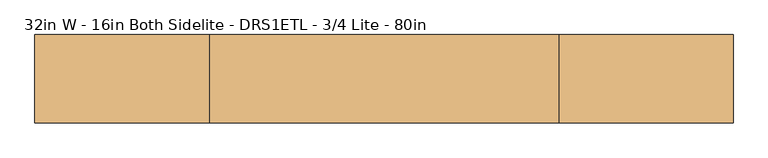
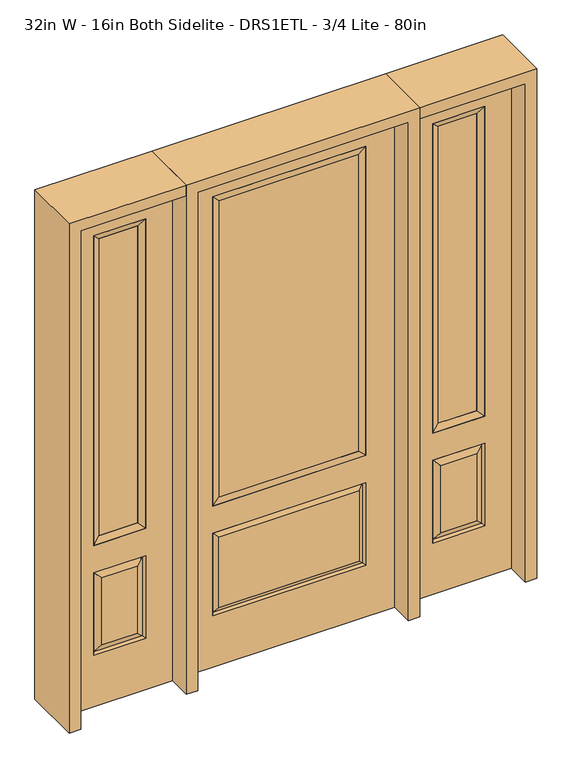
"""IFC4 building model written with IfcOpenShell, lengths in millimetres: door geometry, 32in W - 16in Both Sidelite - DRS1ETL - 3/4 Lite - 80in."""

from ifc_helpers import new_model, si_unit, frame, origin, place, context, project, spatial, polyline, outline, extrude, faceted_brep, source, transform, mapped, element, save


def door_32in_w_16in_both_sidelite_drs1etl_3_4_lite_80in_1b455354(model_context):
    return source(origin(), model_context, "Body", "SolidModel", [
        faceted_brep([(450.85, -22.225, 0.0), (857.25, -22.225, 0.0), (857.25, -22.225, 2032.0), (450.85, -22.225, 2032.0), (754.38, -22.225, 1919.224), (754.38, -22.225, 657.098), (553.72, -22.225, 657.098), (553.72, -22.225, 1919.224), (754.38, -22.225, 209.55), (553.72, -22.225, 209.55), (553.72, -22.225, 546.1), (754.38, -22.225, 546.1), (585.4351001, -22.225, 241.2651001), (722.6648999, -22.225, 241.2651001), (722.6648999, -22.225, 514.3848999), (585.4351001, -22.225, 514.3848999), (450.85, 22.225, 0.0), (450.85, 22.225, 2032.0), (857.25, 22.225, 2032.0), (857.25, 22.225, 0.0), (754.38, 22.225, 1919.224), (553.72, 22.225, 1919.224), (553.72, 22.225, 657.098), (754.38, 22.225, 657.098), (553.72, 22.225, 209.55), (754.38, 22.225, 209.55), (754.38, 22.225, 546.1), (553.72, 22.225, 546.1), (722.6648999, 22.225, 241.2651001), (585.4351001, 22.225, 241.2651001), (585.4351001, 22.225, 514.3848999), (722.6648999, 22.225, 514.3848999), (747.2711499, 12.7912373, 216.6588501), (560.8288501, 12.7912373, 216.6588501), (560.8288501, 12.7912373, 538.9911499), (747.2711499, 12.7912373, 538.9911499), (560.8288501, -12.7912373, 216.6588501), (747.2711499, -12.7912373, 216.6588501), (560.8288501, -12.7912373, 538.9911499), (747.2711499, -12.7912373, 538.9911499)], [[[0, 1, 2, 3], [4, 5, 6, 7], [8, 9, 10, 11]], [[12, 13, 14, 15]], [[16, 17, 18, 19], [20, 21, 22, 23], [24, 25, 26, 27]], [[28, 29, 30, 31]], [[1, 0, 16, 19]], [[2, 1, 19, 18]], [[3, 2, 18, 17]], [[0, 3, 17, 16]], [[5, 4, 20, 23]], [[6, 5, 23, 22]], [[7, 6, 22, 21]], [[4, 7, 21, 20]], [[32, 33, 29, 28]], [[33, 32, 25, 24]], [[29, 33, 34, 30]], [[33, 24, 27, 34]], [[30, 34, 35, 31]], [[34, 27, 26, 35]], [[32, 28, 31, 35]], [[25, 32, 35, 26]], [[12, 36, 37, 13]], [[37, 36, 9, 8]], [[36, 12, 15, 38]], [[9, 36, 38, 10]], [[38, 15, 14, 39]], [[10, 38, 39, 11]], [[13, 37, 39, 14]], [[37, 8, 11, 39]]]),
        faceted_brep([(553.72, 22.225, 1919.224), (553.72, -22.225, 1919.224), (754.38, -22.225, 1919.224), (754.38, 22.225, 1919.224), (579.12, 12.7, 1893.824), (728.98, 12.7, 1893.824), (579.12, -12.7, 1893.824), (728.98, -12.7, 1893.824), (754.38, -22.225, 657.098), (754.38, 22.225, 657.098), (728.98, 12.7, 682.498), (728.98, -12.7, 682.498), (553.72, -22.225, 657.098), (553.72, 22.225, 657.098), (579.12, 12.7, 682.498), (579.12, -12.7, 682.498)], [[[0, 1, 2, 3]], [[4, 0, 3, 5]], [[6, 4, 5, 7]], [[1, 6, 7, 2]], [[3, 2, 8, 9]], [[5, 3, 9, 10]], [[7, 5, 10, 11]], [[2, 7, 11, 8]], [[9, 8, 12, 13]], [[10, 9, 13, 14]], [[11, 10, 14, 15]], [[8, 11, 15, 12]], [[13, 12, 1, 0]], [[14, 13, 0, 4]], [[15, 14, 4, 6]], [[12, 15, 6, 1]]]),
        extrude(outline(polyline([(728.98, -12.7), (579.12, -12.7), (579.12, 12.7), (728.98, 12.7), (728.98, -12.7)])), frame((0.0, 0.0, 682.498), z_axis=(0.0, 0.0, 1.0), x_axis=(1.0, 0.0, 0.0)), (0.0, 0.0, 1.0), 1211.326),
        faceted_brep([(-857.25, -22.225, 0.0), (-450.85, -22.225, 0.0), (-450.85, -22.225, 2032.0), (-857.25, -22.225, 2032.0), (-553.72, -22.225, 1919.224), (-553.72, -22.225, 657.098), (-754.38, -22.225, 657.098), (-754.38, -22.225, 1919.224), (-553.72, -22.225, 209.55), (-754.38, -22.225, 209.55), (-754.38, -22.225, 546.1), (-553.72, -22.225, 546.1), (-722.6648999, -22.225, 241.2651001), (-585.4351001, -22.225, 241.2651001), (-585.4351001, -22.225, 514.3848999), (-722.6648999, -22.225, 514.3848999), (-857.25, 22.225, 0.0), (-857.25, 22.225, 2032.0), (-450.85, 22.225, 2032.0), (-450.85, 22.225, 0.0), (-553.72, 22.225, 1919.224), (-754.38, 22.225, 1919.224), (-754.38, 22.225, 657.098), (-553.72, 22.225, 657.098), (-754.38, 22.225, 209.55), (-553.72, 22.225, 209.55), (-553.72, 22.225, 546.1), (-754.38, 22.225, 546.1), (-585.4351001, 22.225, 241.2651001), (-722.6648999, 22.225, 241.2651001), (-722.6648999, 22.225, 514.3848999), (-585.4351001, 22.225, 514.3848999), (-560.8288501, 12.7912373, 216.6588501), (-747.2711499, 12.7912373, 216.6588501), (-747.2711499, 12.7912373, 538.9911499), (-560.8288501, 12.7912373, 538.9911499), (-747.2711499, -12.7912373, 216.6588501), (-560.8288501, -12.7912373, 216.6588501), (-747.2711499, -12.7912373, 538.9911499), (-560.8288501, -12.7912373, 538.9911499)], [[[0, 1, 2, 3], [4, 5, 6, 7], [8, 9, 10, 11]], [[12, 13, 14, 15]], [[16, 17, 18, 19], [20, 21, 22, 23], [24, 25, 26, 27]], [[28, 29, 30, 31]], [[1, 0, 16, 19]], [[2, 1, 19, 18]], [[3, 2, 18, 17]], [[0, 3, 17, 16]], [[5, 4, 20, 23]], [[6, 5, 23, 22]], [[7, 6, 22, 21]], [[4, 7, 21, 20]], [[32, 33, 29, 28]], [[33, 32, 25, 24]], [[29, 33, 34, 30]], [[33, 24, 27, 34]], [[30, 34, 35, 31]], [[34, 27, 26, 35]], [[32, 28, 31, 35]], [[25, 32, 35, 26]], [[12, 36, 37, 13]], [[37, 36, 9, 8]], [[36, 12, 15, 38]], [[9, 36, 38, 10]], [[38, 15, 14, 39]], [[10, 38, 39, 11]], [[13, 37, 39, 14]], [[37, 8, 11, 39]]]),
        faceted_brep([(-754.38, 22.225, 1919.224), (-754.38, -22.225, 1919.224), (-553.72, -22.225, 1919.224), (-553.72, 22.225, 1919.224), (-728.98, 12.7, 1893.824), (-579.12, 12.7, 1893.824), (-728.98, -12.7, 1893.824), (-579.12, -12.7, 1893.824), (-553.72, -22.225, 657.098), (-553.72, 22.225, 657.098), (-579.12, 12.7, 682.498), (-579.12, -12.7, 682.498), (-754.38, -22.225, 657.098), (-754.38, 22.225, 657.098), (-728.98, 12.7, 682.498), (-728.98, -12.7, 682.498)], [[[0, 1, 2, 3]], [[4, 0, 3, 5]], [[6, 4, 5, 7]], [[1, 6, 7, 2]], [[3, 2, 8, 9]], [[5, 3, 9, 10]], [[7, 5, 10, 11]], [[2, 7, 11, 8]], [[9, 8, 12, 13]], [[10, 9, 13, 14]], [[11, 10, 14, 15]], [[8, 11, 15, 12]], [[13, 12, 1, 0]], [[14, 13, 0, 4]], [[15, 14, 4, 6]], [[12, 15, 6, 1]]]),
        extrude(outline(polyline([(-579.12, -12.7), (-728.98, -12.7), (-728.98, 12.7), (-579.12, 12.7), (-579.12, -12.7)])), frame((0.0, 0.0, 682.498), z_axis=(0.0, 0.0, 1.0), x_axis=(1.0, 0.0, 0.0)), (0.0, 0.0, 1.0), 1211.326),
        faceted_brep([(-288.1661499, -12.7912373, 216.6588501), (288.1661499, -12.7912373, 216.6588501), (270.66875, -22.225, 234.15625), (-270.66875, -22.225, 234.15625), (-295.275, -22.225, 209.55), (295.275, -22.225, 209.55), (-288.1661499, -12.7912373, 538.9911499), (-295.275, -22.225, 546.1), (270.66875, -22.225, 521.49375), (-270.66875, -22.225, 521.49375), (406.4, -22.225, 2032.0), (-406.4, -22.225, 2032.0), (-406.4, -22.225, 0.0), (406.4, -22.225, 0.0), (295.275, -22.225, 546.1), (295.275, -22.225, 1917.7), (295.275, -22.225, 657.098), (-295.275, -22.225, 657.098), (-295.275, -22.225, 1917.7), (288.1661499, -12.7912373, 538.9911499), (-406.4, 22.225, 2032.0), (-406.4, 22.225, 0.0), (406.4, 22.225, 0.0), (406.4, 22.225, 2032.0), (295.275, 22.225, 1917.7), (295.275, 22.225, 657.098), (-295.275, 22.225, 657.098), (-295.275, 22.225, 1917.7), (-295.275, 22.225, 209.55), (295.275, 22.225, 209.55), (295.275, 22.225, 546.1), (-295.275, 22.225, 546.1), (270.66875, 22.225, 234.15625), (-270.66875, 22.225, 234.15625), (-270.66875, 22.225, 521.49375), (270.66875, 22.225, 521.49375), (-288.1661499, 12.7912373, 216.6588501), (288.1661499, 12.7912373, 216.6588501), (288.1661499, 12.7912373, 538.9911499), (-288.1661499, 12.7912373, 538.9911499)], [[[0, 1, 2, 3]], [[1, 0, 4, 5]], [[4, 0, 6, 7]], [[3, 2, 8, 9]], [[10, 11, 12, 13], [5, 4, 7, 14], [15, 16, 17, 18]], [[1, 5, 14, 19]], [[2, 1, 19, 8]], [[0, 3, 9, 6]], [[7, 6, 19, 14]], [[6, 9, 8, 19]], [[12, 11, 20, 21]], [[13, 12, 21, 22]], [[10, 13, 22, 23]], [[16, 15, 24, 25]], [[17, 16, 25, 26]], [[18, 17, 26, 27]], [[23, 22, 21, 20], [28, 29, 30, 31], [24, 27, 26, 25]], [[32, 33, 34, 35]], [[28, 36, 37, 29]], [[29, 37, 38, 30]], [[39, 31, 30, 38]], [[36, 28, 31, 39]], [[37, 36, 33, 32]], [[33, 36, 39, 34]], [[34, 39, 38, 35]], [[37, 32, 35, 38]], [[11, 10, 23, 20]], [[15, 18, 27, 24]]]),
        faceted_brep([(-295.275, -22.225, 1917.7), (-295.275, 22.225, 1917.7), (-295.275, 22.225, 657.098), (-295.275, -22.225, 657.098), (295.275, 22.225, 657.098), (295.275, -22.225, 657.098), (-269.875, 5.08, 682.498), (269.875, 5.08, 682.498), (295.275, 22.225, 1917.7), (295.275, -22.225, 1917.7), (-269.875, -20.32, 682.498), (269.875, -20.32, 682.498), (-269.875, -20.32, 1892.3), (269.875, -20.32, 1892.3), (-269.875, 5.08, 1892.3), (269.875, 5.08, 1892.3)], [[[0, 1, 2, 3]], [[3, 2, 4, 5]], [[2, 6, 7, 4]], [[5, 4, 8, 9]], [[10, 3, 5, 11]], [[12, 0, 3, 10]], [[11, 5, 9, 13]], [[6, 10, 11, 7]], [[14, 12, 10, 6]], [[7, 11, 13, 15]], [[1, 14, 6, 2]], [[4, 7, 15, 8]], [[9, 8, 1, 0]], [[13, 9, 0, 12]], [[15, 13, 12, 14]], [[8, 15, 14, 1]]]),
        extrude(outline(polyline([(269.875, -20.32), (-269.875, -20.32), (-269.875, 5.08), (269.875, 5.08), (269.875, -20.32)])), frame((0.0, 0.0, 682.498), z_axis=(0.0, 0.0, 1.0), x_axis=(1.0, 0.0, 0.0)), (0.0, 0.0, 1.0), 1209.802),
        extrude(outline(polyline([(2032.0, -450.85), (2076.45, -450.85), (2076.45, -901.7), (0.0, -901.7), (0.0, -857.25), (2032.0, -857.25), (2032.0, -450.85)])), frame((0.0, -114.3, 0.0), z_axis=(0.0, 1.0, 0.0), x_axis=(0.0, 0.0, 1.0)), (0.0, 0.0, 1.0), 228.6),
        extrude(outline(polyline([(2076.45, -450.85), (0.0, -450.85), (0.0, -406.4), (2032.0, -406.4), (2032.0, 406.4), (0.0, 406.4), (0.0, 450.85), (2076.45, 450.85), (2076.45, -450.85)])), frame((0.0, -114.3, 0.0), z_axis=(0.0, 1.0, 0.0), x_axis=(0.0, 0.0, 1.0)), (0.0, 0.0, 1.0), 228.6),
        extrude(outline(polyline([(0.0, 857.25), (0.0, 901.7), (2076.45, 901.7), (2076.45, 450.85), (2032.0, 450.85), (2032.0, 857.25), (0.0, 857.25)])), frame((0.0, -114.3, 0.0), z_axis=(0.0, 1.0, 0.0), x_axis=(0.0, 0.0, 1.0)), (0.0, 0.0, 1.0), 228.6),
    ])


if __name__ == "__main__":
    model = new_model("IFC4")
    model_context = context("Model", 3, world=origin())
    ifc_project = project(units=[si_unit("LENGTHUNIT", "METRE", prefix="MILLI")], contexts=[model_context])
    site = spatial("IfcSite", under=ifc_project)
    building = spatial("IfcBuilding", under=site)
    placement = place(None, origin())
    door_32in_w_16in_both_sidelite_drs1etl_3_4_lite_80in_shape = door_32in_w_16in_both_sidelite_drs1etl_3_4_lite_80in_1b455354(model_context)
    element("IfcDoor", 1, ObjectType="32in W - 16in Both Sidelite - DRS1ETL - 3/4 Lite - 80in", at=placement, inside=building, context=model_context, shape_type="MappedRepresentation", body=[
        mapped(door_32in_w_16in_both_sidelite_drs1etl_3_4_lite_80in_shape, transform((0.0, 0.0, 0.0), x_axis=(1.0, 0.0, 0.0), y_axis=(0.0, 1.0, 0.0), z_axis=(0.0, 0.0, 1.0))),
    ])
    save(model, "model.ifc")
